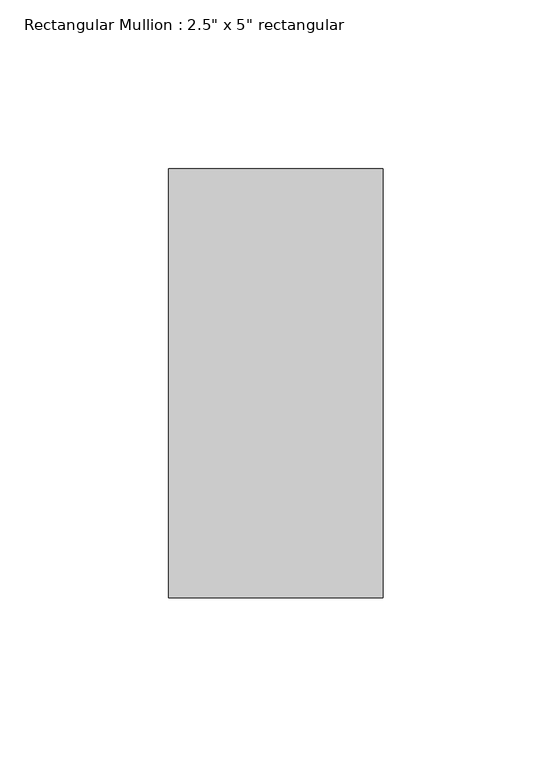
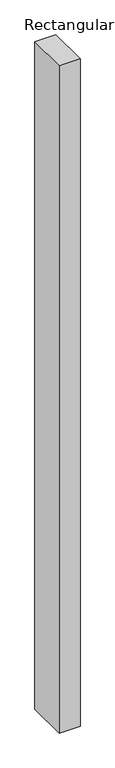
"""IFC4 building model written with IfcOpenShell, lengths in millimetres: member geometry."""

from ifc_helpers import new_model, si_unit, frame, origin, place, context, project, spatial, polyline, outline, extrude, source, transform, mapped, element, save


def member_0d3f467d(model_context):
    return source(origin(), model_context, "Body", "SweptSolid", [
        extrude(outline(polyline([(31.75, 63.5), (31.75, -63.5), (-31.75, -63.5), (-31.75, 63.5), (31.75, 63.5)])), frame((0.0, 0.0, -2137.7536198), z_axis=(0.0, 0.0, 1.0), x_axis=(1.0, 0.0, 0.0)), (0.0, 0.0, 1.0), 2137.7536198),
    ])


if __name__ == "__main__":
    model = new_model("IFC4")
    model_context = context("Model", 3, world=origin())
    ifc_project = project(units=[si_unit("LENGTHUNIT", "METRE", prefix="MILLI")], contexts=[model_context])
    site = spatial("IfcSite", under=ifc_project)
    building = spatial("IfcBuilding", under=site)
    placement = place(None, origin())
    member_shape = member_0d3f467d(model_context)
    element("IfcMember", 1, ObjectType="Rectangular Mullion : 2.5\" x 5\" rectangular", at=placement, inside=building, context=model_context, shape_type="MappedRepresentation", body=[
        mapped(member_shape, transform((0.0, 0.0, 0.0), x_axis=(1.0, 0.0, 0.0), y_axis=(0.0, 1.0, 0.0), z_axis=(0.0, 0.0, 1.0))),
    ])
    save(model, "model.ifc")
